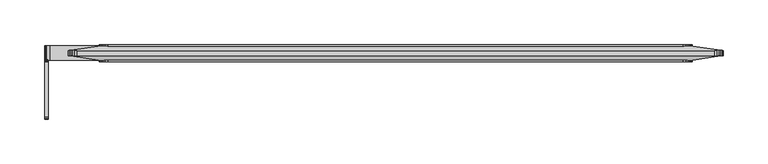
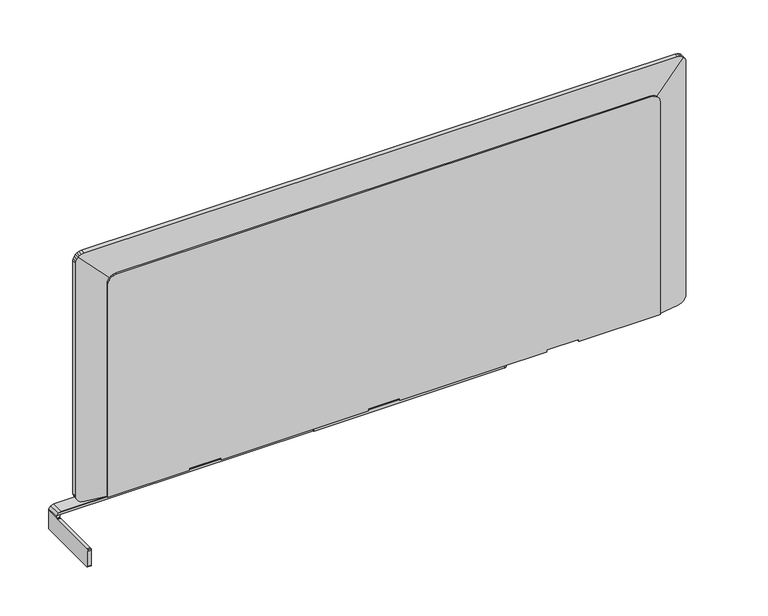
"""IFC4 building model written with IfcOpenShell, lengths in millimetres: furniture geometry."""

import ifcopenshell
import ifcopenshell.guid

model = None  # the IFC model being written
_history = None  # IfcOwnerHistory: only IFC2X3 demands one
_inside = {}  # id of a spatial element -> (the spatial element, [elements in it])
_under = {}  # id of a project, library or spatial element -> (it, [spatial elements below it])
_declared = {}  # id of a project -> (the project, [libraries it declares])
_typed = {}  # id of a type object -> (the type object, [elements of that type])
_made_of = {}  # id of a material, layer set ... -> (it, [elements and type objects made of it])


def new_model(schema):
    """Start an empty IFC model of exactly this schema.

    Asked for "IFC4X3", IfcOpenShell would pick the latest addendum, in which some entities
    have other attributes; the version numbers below select the first issue.
    IFC2X3 requires an IfcOwnerHistory on every rooted entity: one is made here for all.
    """
    global model, _history
    if schema == "IFC4X3":
        model = ifcopenshell.file(schema_version=(4, 3, 0, 0))
    else:
        model = ifcopenshell.file(schema=schema)
    _inside.clear()
    _under.clear()
    _declared.clear()
    _typed.clear()
    _made_of.clear()
    _history = None
    if model.schema == "IFC2X3":
        org = make("IfcOrganization", Name="unknown")
        user = make(
            "IfcPersonAndOrganization",
            ThePerson=make("IfcPerson", FamilyName="unknown"),
            TheOrganization=org,
        )
        app = make(
            "IfcApplication",
            ApplicationDeveloper=org,
            Version="unknown",
            ApplicationFullName="unknown",
            ApplicationIdentifier="unknown",
        )
        _history = make(
            "IfcOwnerHistory",
            OwningUser=user,
            OwningApplication=app,
            ChangeAction="ADDED",
            CreationDate=0,
        )
    return model


def make(cls, **values):
    """One entity of the class cls with the attributes given. An attribute that is None is left unset."""
    return model.create_entity(
        cls, **{name: value for name, value in values.items() if value is not None}
    )


def rooted(cls, **values):
    """An entity with a GlobalId (a new one), such as an element, a storey or a relation."""
    return make(cls, GlobalId=ifcopenshell.guid.new(), OwnerHistory=_history, **values)


def si_unit(unit_type, name, prefix=None):
    """IfcSIUnit, for example si_unit("LENGTHUNIT", "METRE", prefix="MILLI")."""
    return make("IfcSIUnit", UnitType=unit_type, Prefix=prefix, Name=name)


def assignment(units):
    """IfcUnitAssignment: the units of a project."""
    return None if units is None else make("IfcUnitAssignment", Units=units)


def point(xyz):
    """IfcCartesianPoint."""
    return None if xyz is None else make("IfcCartesianPoint", Coordinates=xyz)


def direction(xyz):
    """IfcDirection."""
    return None if xyz is None else make("IfcDirection", DirectionRatios=xyz)


def frame(location, z_axis=None, x_axis=None):
    """IfcAxis2Placement3D, a coordinate frame: its origin and axes. An axis left out is left unset."""
    return make(
        "IfcAxis2Placement3D",
        Location=point(location),
        Axis=direction(z_axis),
        RefDirection=direction(x_axis),
    )


def origin():
    """The frame at (0, 0, 0) with its axes left unset."""
    return frame((0.0, 0.0, 0.0))


def place(relative_to, where):
    """IfcLocalPlacement: puts the frame where relative to a parent placement (None: the world)."""
    return make(
        "IfcLocalPlacement", PlacementRelTo=relative_to, RelativePlacement=where
    )


def context(
    kind, dimensions, precision=None, world=None, true_north=None, identifier=None
):
    """IfcGeometricRepresentationContext, for example the 3D "Model" context."""
    return make(
        "IfcGeometricRepresentationContext",
        ContextIdentifier=identifier,
        ContextType=kind,
        CoordinateSpaceDimension=dimensions,
        Precision=precision,
        WorldCoordinateSystem=world,
        TrueNorth=true_north,
    )


def project(units=None, contexts=None):
    """IfcProject with its units and contexts."""
    return rooted(
        "IfcProject",
        Name="project",
        RepresentationContexts=contexts,
        UnitsInContext=assignment(units),
    )


def spatial(cls, under=None, at=None, **own):
    """A site, building, storey or space (cls), placed at a placement, below another one or the project."""
    s = rooted(cls, ObjectPlacement=at, **own)
    if under is not None:
        _under.setdefault(under.id(), (under, []))[1].append(s)
    return s


def polyline(points):
    """IfcPolyline through the points."""
    return make("IfcPolyline", Points=[point(p) for p in points])


def circle_curve(where, radius):
    """IfcCircle in the frame where."""
    return make("IfcCircle", Position=where, Radius=radius)


def outline(outer, holes=None, kind="AREA"):
    """IfcArbitraryClosedProfileDef: a profile drawn as a closed curve; with holes, ...WithVoids."""
    if holes is None:
        return make("IfcArbitraryClosedProfileDef", ProfileType=kind, OuterCurve=outer)
    return make(
        "IfcArbitraryProfileDefWithVoids",
        ProfileType=kind,
        OuterCurve=outer,
        InnerCurves=holes,
    )


def extrude(swept, where, along, depth):
    """IfcExtrudedAreaSolid: the profile swept, set in the frame where, extruded along a direction by depth."""
    return make(
        "IfcExtrudedAreaSolid",
        SweptArea=swept,
        Position=where,
        ExtrudedDirection=direction(along),
        Depth=depth,
    )


def faces_of(points, faces, orient=None, outer=None):
    """IfcFace entities. A face is a list of loops; a loop is a list of indices into points, from 0.

    orient and outer hold one flag for each loop. By default every Orientation is true, the
    first loop of a face is its IfcFaceOuterBound and the others are IfcFaceBound.
    """
    made = []
    for i, loops in enumerate(faces):
        bounds = []
        for j, loop in enumerate(loops):
            is_outer = j == 0 if outer is None else outer[i][j]
            bounds.append(
                make(
                    "IfcFaceOuterBound" if is_outer else "IfcFaceBound",
                    Bound=make("IfcPolyLoop", Polygon=[points[k] for k in loop]),
                    Orientation=True if orient is None else orient[i][j],
                )
            )
        made.append(make("IfcFace", Bounds=bounds))
    return made


def faceted_brep(points, faces, orient=None, outer=None, voids=None):
    """IfcFacetedBrep: a solid bounded by flat faces; with voids (closed shells), ...WithVoids."""
    shared = [point(p) for p in points]
    hull = make("IfcClosedShell", CfsFaces=faces_of(shared, faces, orient, outer))
    if voids is None:
        return make("IfcFacetedBrep", Outer=hull)
    return make(
        "IfcFacetedBrepWithVoids",
        Outer=hull,
        Voids=[
            make(cls, CfsFaces=faces_of(shared, fs, o, b)) for cls, fs, o, b in voids
        ],
    )


def shape(context_of_items, identifier, shape_type, items):
    """IfcShapeRepresentation: the items that make up one representation, for example the "Body"."""
    return make(
        "IfcShapeRepresentation",
        ContextOfItems=context_of_items,
        RepresentationIdentifier=identifier,
        RepresentationType=shape_type,
        Items=items,
    )


def source(mapping_origin, context_of_items, identifier, shape_type, items):
    """IfcRepresentationMap: a shape defined once, which mapped items show again and again."""
    return make(
        "IfcRepresentationMap",
        MappingOrigin=mapping_origin,
        MappedRepresentation=shape(context_of_items, identifier, shape_type, items),
    )


def transform(
    local_origin,
    x_axis=None,
    y_axis=None,
    z_axis=None,
    scale=None,
    scale2=None,
    scale3=None,
    uniform=True,
):
    """IfcCartesianTransformationOperator3D, or its non-uniform kind. x_axis, y_axis, z_axis: its Axis1, 2, 3."""
    if uniform:
        return make(
            "IfcCartesianTransformationOperator3D",
            Axis1=direction(x_axis),
            Axis2=direction(y_axis),
            LocalOrigin=point(local_origin),
            Scale=scale,
            Axis3=direction(z_axis),
        )
    return make(
        "IfcCartesianTransformationOperator3DnonUniform",
        Axis1=direction(x_axis),
        Axis2=direction(y_axis),
        LocalOrigin=point(local_origin),
        Scale=scale,
        Axis3=direction(z_axis),
        Scale2=scale2,
        Scale3=scale3,
    )


def mapped(mapping_source, mapping_target):
    """IfcMappedItem: shows the shape of a source again, moved by a transform."""
    return make(
        "IfcMappedItem", MappingSource=mapping_source, MappingTarget=mapping_target
    )


def made_of(thing, what):
    """Note that an element or type object is made of a material, layer set ...; save() writes the relation."""
    if what is not None:
        _made_of.setdefault(what.id(), (what, []))[1].append(thing)
    return thing


def element(
    cls,
    number,
    at=None,
    inside=None,
    cuts=None,
    type_object=None,
    material=None,
    context=None,
    identifier="Body",
    shape_type=None,
    held_by="IfcProductDefinitionShape",
    body=None,
    shapes=None,
    **own,
):
    """One element of the class cls, such as IfcWall. Its Tag is "e" and its number.

    at: its placement. inside: the storey or other place that contains it. cuts: it is an
    opening in that element (IfcRelVoidsElement). A single representation is given by context,
    identifier, shape_type and body (its items); several are given by shapes. held_by: the class
    of the entity that holds the representations. save() writes the other relations.
    """
    e = rooted(cls, Tag="e%d" % number, ObjectPlacement=at, **own)
    if body is not None:
        shapes = [shape(context, identifier, shape_type, body)]
    if shapes is not None:
        e.Representation = make(held_by, Representations=shapes)
    if inside is not None:
        _inside.setdefault(inside.id(), (inside, []))[1].append(e)
    if cuts is not None:
        rooted(
            "IfcRelVoidsElement", RelatingBuildingElement=cuts, RelatedOpeningElement=e
        )
    if type_object is not None:
        _typed.setdefault(type_object.id(), (type_object, []))[1].append(e)
    return made_of(e, material)


def aggregate(whole, parts):
    """IfcRelAggregates: a whole, such as a stair, and the parts it consists of."""
    return rooted("IfcRelAggregates", RelatingObject=whole, RelatedObjects=parts)


def save(model, path):
    """Write the relations noted so far, then the file.

    IfcRelAggregates (storeys below a building ...), IfcRelContainedInSpatialStructure (elements
    in a storey), IfcRelDefinesByType, IfcRelAssociatesMaterial and IfcRelDeclares: one each for
    every whole, place, type object, material and project.
    """
    for whole, parts in _under.values():
        aggregate(whole, parts)
    for where, things in _inside.values():
        rooted(
            "IfcRelContainedInSpatialStructure",
            RelatedElements=things,
            RelatingStructure=where,
        )
    for kind, things in _typed.values():
        rooted("IfcRelDefinesByType", RelatedObjects=things, RelatingType=kind)
    for what, things in _made_of.values():
        rooted("IfcRelAssociatesMaterial", RelatedObjects=things, RelatingMaterial=what)
    for by, libraries in _declared.values():
        rooted("IfcRelDeclares", RelatingContext=by, RelatedDefinitions=libraries)
    model.write(path)


def plane_surface(at):
    """IfcPlane: the flat surface through the origin of the frame at, square to its z axis."""
    return make("IfcPlane", Position=at)


def cylinder_surface(at, radius):
    """IfcCylindricalSurface: all points at the distance radius from the z axis of the frame at."""
    return make("IfcCylindricalSurface", Position=at, Radius=radius)


def advanced_brep(points, edges, surfaces, faces):
    """IfcAdvancedBrep: a solid bounded by faces that lie on surfaces and meet in shared edges.

    An edge is (start, end): straight between two places in points (the first is 0);
    or (start, end, curve); or (start, end, curve, False) where it runs against its curve.
    A face is (place in surfaces, loops), or (place, loops, False) where it looks against
    its surface's normal. A loop lists edges by number (the first is 1), with a minus sign
    where the edge is run from its end to its start. The first loop is the outer one.
    """
    corners = [point(p) for p in points]
    vertices = [make("IfcVertexPoint", VertexGeometry=c) for c in corners]
    made = []
    for start, end, *more in edges:
        made.append(
            make(
                "IfcEdgeCurve",
                EdgeStart=vertices[start],
                EdgeEnd=vertices[end],
                EdgeGeometry=more[0] if more else make("IfcPolyline", Points=[corners[start], corners[end]]),
                SameSense=more[1] if len(more) > 1 else True,
            )
        )
    hull = []
    for where, loops, *sense in faces:
        bounds = []
        for j, loop in enumerate(loops):
            ring = [make("IfcOrientedEdge", EdgeElement=made[abs(k) - 1], Orientation=k > 0) for k in loop]
            bounds.append(
                make(
                    "IfcFaceOuterBound" if j == 0 else "IfcFaceBound",
                    Bound=make("IfcEdgeLoop", EdgeList=ring),
                    Orientation=True,
                )
            )
        hull.append(make("IfcAdvancedFace", Bounds=bounds, FaceSurface=surfaces[where], SameSense=sense[0] if sense else True))
    return make("IfcAdvancedBrep", Outer=make("IfcClosedShell", CfsFaces=hull))


def furniture_b3ddf0ac(model_context):
    return source(origin(), model_context, "Body", "SolidModel", [
        advanced_brep(
        [(-11.90625, -83.152936, 731.95913), (-11.90625, -83.152936, 713.2393302), (-7.8422501, -83.152936, 713.2393302), (-7.8422501, -83.152936, 731.95913), (-5.8610501, -17.1129365, 740.6713298), (526.6142889, -17.1129365, 740.6713298), (531.1457524, -12.5814729, 740.6713298), (531.1457524, -5.8963997, 740.6713298), (526.6142889, -1.3649362, 740.6713298), (-5.8610501, -1.3649362, 740.6713298), (-9.3190655, -1.3649362, 739.5846147), (-9.3190655, -16.542582, 739.5846147), (-7.8422501, -16.542582, 740.0487184), (-7.8422501, -17.1129365, 740.0487184), (-11.5338209, -1.3649362, 736.7151762), (-11.5338209, -16.542582, 736.7151762), (-11.90625, -1.3649362, 735.2934452), (-11.90625, -17.2693579, 735.2934452), (-11.90625, -81.1209379, 733.9911297), (-11.90625, -19.0941371, 733.9911297), (-11.90625, -18.3005831, 734.1569987), (-11.90625, -17.6405546, 734.6261298), (-11.90625, -1.3649362, 713.2393302), (-11.90625, -1.9600952, 711.8024879), (-11.90625, -3.3969362, 711.2073298), (-11.90625, -81.1209379, 711.2073298), (-11.90625, -82.5577779, 711.8024879), (-11.90625, -82.5577779, 733.3959708), (-7.8422501, -3.3969362, 711.2073298), (-7.8422501, -81.1209379, 711.2073298), (-7.8422501, -82.5577779, 733.3959708), (-7.8422501, -82.5577779, 711.8024879), (-7.8422501, -1.9600952, 711.8024879), (-7.8422501, -1.3649362, 713.2393302), (-7.8422501, -1.3649362, 735.1526387), (-7.8422501, -17.3476821, 735.1526387), (-7.8422501, -17.6405546, 734.6261298), (-7.8422501, -18.3005831, 734.1569987), (-7.8422501, -19.0941371, 733.9911297), (-7.8422501, -81.1209379, 733.9911297), (-6.9943492, -1.3649362, 736.2511795), (-6.9943492, -16.7366146, 736.2511795), (-5.8843743, -1.3649362, 736.6), (-5.8843743, -16.542582, 736.6), (297.3427997, -16.542582, 736.6), (526.6142889, -1.3649362, 736.6), (531.1457524, -5.8963997, 736.6), (531.1457524, -12.5814729, 736.6), (526.6142889, -17.1129365, 736.6), (297.3427997, -17.1129365, 736.6), (297.3427997, -17.1129365, 740.0487184), (297.3427997, -16.542582, 740.0487184)],
        [
            (0, 1),
            (1, 2),
            (2, 3),
            (3, 0),
            (4, 5),
            (5, 6, circle_curve(frame((526.6142889, -12.5814729, 740.6713298), z_axis=(0.0, 0.0, 1.0), x_axis=(1.0000000000000009, 0.0, 0.0)), 4.5314636)),
            (6, 7),
            (7, 8, circle_curve(frame((526.6142889, -5.8963997, 740.6713298), z_axis=(0.0, 0.0, 1.0), x_axis=(1.0000000000000009, 0.0, 0.0)), 4.5314636)),
            (8, 9),
            (9, 4),
            (9, 10),
            (10, 11),
            (11, 12),
            (12, 13),
            (13, 4),
            (10, 14),
            (14, 15),
            (15, 11),
            (14, 16),
            (16, 17),
            (17, 15),
            (18, 19),
            (19, 20),
            (20, 21),
            (21, 17),
            (16, 22),
            (22, 23),
            (23, 24),
            (24, 25),
            (25, 26),
            (26, 1),
            (0, 27),
            (27, 18),
            (28, 29),
            (29, 25),
            (24, 28),
            (30, 3),
            (2, 31),
            (31, 29),
            (28, 32),
            (32, 33),
            (33, 34),
            (34, 35),
            (35, 36),
            (36, 37),
            (37, 38),
            (38, 39),
            (39, 30),
            (34, 40),
            (40, 41),
            (41, 35),
            (40, 42),
            (42, 43),
            (43, 41),
            (44, 43),
            (42, 45),
            (45, 46, circle_curve(frame((526.6142889, -5.8963997, 736.6), z_axis=(0.0, 0.0, -1.0), x_axis=(1.0000000000000009, 0.0, 0.0)), 4.5314636)),
            (46, 47),
            (47, 48, circle_curve(frame((526.6142889, -12.5814729, 736.6), z_axis=(0.0, 0.0, -1.0), x_axis=(1.0000000000000009, 0.0, 0.0)), 4.5314636)),
            (48, 49),
            (49, 44),
            (6, 47),
            (46, 7),
            (13, 50),
            (50, 49),
            (48, 5),
            (50, 51),
            (51, 44),
            (27, 30),
            (39, 18),
            (12, 51),
            (15, 43),
            (21, 36),
            (20, 37),
            (19, 38),
            (23, 32),
            (22, 33),
            (8, 45),
            (31, 26),
        ],
        [
            plane_surface(frame((-5.8610501, -83.152936, 740.6713298), z_axis=(0.0, -1.0, 0.0), x_axis=(1.0, 0.0, 0.0))),
            plane_surface(frame((531.1457524, 0.3184498, 740.6713298), z_axis=(0.0, 0.0, 1.0), x_axis=(0.0, -1.0, 0.0))),
            plane_surface(frame((-5.8610501, 0.3184498, 740.6713298), z_axis=(-0.29980408442028295, 0.0, 0.9540007919100045), x_axis=(0.0, -1.0, 0.0))),
            plane_surface(frame((-9.3190655, 0.3184498, 739.5846147), z_axis=(-0.7916236415944377, 0.0, 0.6110090098098074), x_axis=(0.0, -1.0, 0.0))),
            plane_surface(frame((-11.5338209, 0.3184498, 736.7151762), z_axis=(-0.9673603819474792, 0.0, 0.253404600270846), x_axis=(0.0, -1.0, 0.0))),
            plane_surface(frame((-11.90625, 0.3184498, 735.2934452), z_axis=(-1.0, 0.0, 0.0), x_axis=(0.0, -1.0, 0.0))),
            plane_surface(frame((-11.90625, 0.3184498, 711.2073298), z_axis=(0.0, 0.0, -1.0), x_axis=(0.0, -1.0, 0.0))),
            plane_surface(frame((-7.8422501, 0.3184498, 711.2073298), z_axis=(1.0, 0.0, 0.0), x_axis=(0.0, -1.0, 0.0))),
            plane_surface(frame((-7.8422501, 0.3184498, 735.1526387), z_axis=(0.7916236395709917, 0.0, -0.6110090124313852), x_axis=(0.0, -1.0, 0.0))),
            plane_surface(frame((-6.9943492, 0.3184498, 736.2511795), z_axis=(0.2998040604799328, 0.0, -0.9540007994334935), x_axis=(0.0, -1.0, 0.0))),
            plane_surface(frame((-5.8843743, 0.3184498, 736.6), z_axis=(0.0, 0.0, -1.0), x_axis=(0.0, -1.0, 0.0))),
            plane_surface(frame((531.1457524, 0.3184498, 736.6), z_axis=(1.0, 0.0, 0.0), x_axis=(0.0, -1.0, 0.0))),
            plane_surface(frame((-7.8422501, -17.1129365, 1041.4), z_axis=(0.0, -1.0, 0.0), x_axis=(0.0, 0.0, -1.0))),
            plane_surface(frame((297.3427997, -81.1209379, 733.9911297), z_axis=(-1.0, 0.0, 0.0), x_axis=(0.0, -0.9238794600399491, -0.38268360732632906))),
            plane_surface(frame((297.3427997, -81.1209379, 733.9911297), z_axis=(0.0, -0.38268360732632906, 0.9238794600399491), x_axis=(-1.0, 0.0, 0.0))),
            plane_surface(frame((297.3427997, -82.5577779, 733.3959708), z_axis=(0.0, -0.9238797338270522, 0.38268294634547667), x_axis=(-1.0, 0.0, 0.0))),
            plane_surface(frame((297.3427997, -83.152936, 740.0487184), z_axis=(0.0, 0.0, -1.0), x_axis=(-1.0, 0.0, 0.0))),
            plane_surface(frame((297.3427997, -16.542582, 740.0487184), z_axis=(0.0, -1.0, 0.0), x_axis=(-1.0, 0.0, 0.0))),
            plane_surface(frame((297.3427997, -16.542582, 736.6), z_axis=(0.0, -0.8738981288260935, 0.48610910342664065), x_axis=(-1.0, 0.0, 0.0))),
            plane_surface(frame((297.3427997, -17.6405546, 734.6261298), z_axis=(0.0, -0.5793413096937473, 0.8150850549987613), x_axis=(-1.0, 0.0, 0.0))),
            plane_surface(frame((297.3427997, -18.3005831, 734.1569987), z_axis=(0.0, -0.20459875452857604, 0.9788459274295191), x_axis=(-1.0, 0.0, 0.0))),
            plane_surface(frame((297.3427997, -19.0941371, 733.9911297), z_axis=(0.0, 0.0, 1.0), x_axis=(-1.0, 0.0, 0.0))),
            plane_surface(frame((541.7567927, -3.3969362, 711.2073298), z_axis=(0.0, 0.3826829140793831, -0.9238797471920853), x_axis=(-1.0, 0.0, 0.0))),
            plane_surface(frame((541.7567927, -1.9600952, 711.8024879), z_axis=(0.0, 0.9238796416148001, -0.38268316896580185), x_axis=(-1.0, 0.0, 0.0))),
            plane_surface(frame((541.7567927, -1.3649362, 713.2393302), z_axis=(0.0, 1.0, 0.0), x_axis=(-1.0, 0.0, 0.0))),
            plane_surface(frame((-7.4077452, -82.5577779, 711.8024879), z_axis=(0.0, -0.38268313994214265, -0.9238796536367831), x_axis=(-1.0, 0.0, 0.0))),
            plane_surface(frame((-7.4077452, -83.152936, 713.2393302), z_axis=(0.0, -0.9238798674772314, -0.3826826236847621), x_axis=(-1.0, 0.0, 0.0))),
            cylinder_surface(frame((526.6142889, -12.5814729, 736.6), z_axis=(0.0, 0.0, -1.0), x_axis=(1.0000000000000009, 0.0, 0.0)), 4.5314636),
            cylinder_surface(frame((526.6142889, -5.8963997, 736.6), z_axis=(0.0, 0.0, -1.0), x_axis=(1.0000000000000009, 0.0, 0.0)), 4.5314636),
        ],
        [
            (0, [[1, 2, 3, 4]]),
            (1, [[5, 6, 7, 8, 9, 10]]),
            (2, [[-10, 11, 12, 13, 14, 15]]),
            (3, [[-12, 16, 17, 18]]),
            (4, [[-17, 19, 20, 21]]),
            (5, [[22, 23, 24, 25, -20, 26, 27, 28, 29, 30, 31, -1, 32, 33]]),
            (6, [[34, 35, -29, 36]]),
            (7, [[37, -3, 38, 39, -34, 40, 41, 42, 43, 44, 45, 46, 47, 48]]),
            (8, [[-43, 49, 50, 51]]),
            (9, [[-50, 52, 53, 54]]),
            (10, [[55, -53, 56, 57, 58, 59, 60, 61]]),
            (11, [[62, -58, 63, -7]]),
            (12, [[64, 65, -60, 66, -5, -15]]),
            (13, [[-61, -65, 67, 68]]),
            (14, [[-33, 69, -48, 70]]),
            (15, [[-32, -4, -37, -69]]),
            (16, [[-64, -14, 71, -67]]),
            (17, [[-71, -13, -18, 72, -55, -68]]),
            (18, [[-21, -25, 73, -44, -51, -54, -72]]),
            (19, [[-24, 74, -45, -73]]),
            (20, [[-23, 75, -46, -74]]),
            (21, [[-47, -75, -22, -70]]),
            (22, [[-40, -36, -28, 76]]),
            (23, [[-27, 77, -41, -76]]),
            (24, [[-26, -19, -16, -11, -9, 78, -56, -52, -49, -42, -77]]),
            (25, [[-30, -35, -39, 79]]),
            (26, [[-38, -2, -31, -79]]),
            (27, [[-66, -59, -62, -6]]),
            (28, [[-63, -57, -78, -8]]),
        ],
    ),
        extrude(outline(polyline([(1021.1054, 702.4178925), (1021.1054, 59.5257121), (1020.4193549, 55.884392), (1019.3312673, 53.4952556), (1018.0500955, 51.9079102), (1016.1380029, 50.4230447), (1013.8123454, 49.4081476), (1011.1551493, 49.022), (740.6713298, 49.022), (740.6713298, 147.1315248), (743.2237184, 147.1315248), (743.2237184, 185.2315248), (740.6713298, 185.2315248), (740.6713298, 361.95), (743.2237184, 361.95), (743.2237184, 400.05), (740.6713298, 400.05), (740.6713298, 576.7684752), (743.2237184, 576.7684752), (743.2237184, 614.8684752), (740.6713298, 614.8684752), (740.6713298, 712.978), (1010.7670758, 712.978), (1013.8123454, 712.535457), (1016.1380029, 711.5205599), (1018.0500955, 710.0356944), (1019.3312673, 708.4483489), (1020.4193549, 706.0592125), (1021.1054, 702.4178925)])), frame((0.0, -19.05, 0.0), z_axis=(0.0, 1.0, 0.0), x_axis=(0.0, 0.0, 1.0)), (0.0, 0.0, 1.0), 19.05),
        faceted_brep([(709.7466046, -1.27, 740.6713298), (709.7466046, -1.27, 1017.8740046), (744.8341432, -6.201232, 1052.9615432), (746.3749553, -6.417779, 1050.9774069), (747.3898524, -6.5604135, 1048.6517494), (747.776, -6.614683, 1045.9945533), (747.776, -6.614683, 750.5772), (747.3898524, -6.5604135, 747.9200039), (746.3749553, -6.417779, 745.5943464), (744.8900898, -6.2090948, 743.6822538), (742.5989568, -5.887097, 741.8330438), (741.8405268, -5.7805066, 741.4876311), (737.5078466, -5.1715881, 740.6713298), (709.7466046, -17.78, 1017.8740046), (709.7466046, -17.78, 740.6713298), (737.5078466, -13.6811758, 740.6713298), (741.8405268, -13.0414748, 741.4876311), (742.5989568, -12.929496, 741.8330438), (744.8900898, -12.5912203, 743.6822538), (746.3749553, -12.3719865, 745.5943464), (747.3898524, -12.2221415, 747.9200039), (747.776, -12.1651285, 750.5772), (747.776, -12.1651285, 1045.9945533), (747.3898524, -12.2221415, 1048.6517494), (746.3749553, -12.3719865, 1050.9774069), (744.8341432, -12.5994806, 1052.9615432), (52.2533954, -1.27, 1017.8740046), (52.2533954, -1.27, 740.6713298), (24.4921534, -5.1715881, 740.6713298), (20.1594732, -5.7805066, 741.4876311), (19.4010432, -5.887097, 741.8330438), (17.1099102, -6.2090948, 743.6822538), (15.6250447, -6.417779, 745.5943464), (14.6101476, -6.5604135, 747.9200039), (14.224, -6.614683, 750.5772), (14.224, -6.614683, 1045.9945533), (14.6101476, -6.5604135, 1048.6517494), (15.6250447, -6.417779, 1050.9774069), (17.1658568, -6.201232, 1052.9615432), (52.2533954, -17.78, 740.6713298), (52.2533954, -17.78, 1017.8740046), (17.1658568, -12.5994806, 1052.9615432), (15.6250447, -12.3719865, 1050.9774069), (14.6101476, -12.2221415, 1048.6517494), (14.224, -12.1651285, 1045.9945533), (14.224, -12.1651285, 750.5772), (14.6101476, -12.2221415, 747.9200039), (15.6250447, -12.3719865, 745.5943464), (17.1099102, -12.5912203, 743.6822538), (19.4010432, -12.929496, 741.8330438), (20.1594732, -13.0414748, 741.4876311), (24.4921534, -13.6811758, 740.6713298), (18.6972556, -6.3711638, 1054.1706713), (21.086392, -6.5240846, 1055.2587589), (24.5079521, -6.614683, 1055.9034), (737.4920479, -6.614683, 1055.9034), (740.913608, -6.5240846, 1055.2587589), (743.3027444, -6.3711638, 1054.1706713), (743.3027444, -12.4209582, 1054.1706713), (740.913608, -12.2603069, 1055.2587589), (737.4920479, -12.1651285, 1055.9034), (24.5079521, -12.1651285, 1055.9034), (21.086392, -12.2603069, 1055.2587589), (18.6972556, -12.4209582, 1054.1706713)], [[[0, 1, 2, 3, 4, 5, 6, 7, 8, 9, 10, 11, 12]], [[13, 14, 15, 16, 17, 18, 19, 20, 21, 22, 23, 24, 25]], [[26, 27, 28, 29, 30, 31, 32, 33, 34, 35, 36, 37, 38]], [[39, 40, 41, 42, 43, 44, 45, 46, 47, 48, 49, 50, 51]], [[1, 26, 38, 52, 53, 54, 55, 56, 57, 2]], [[40, 13, 25, 58, 59, 60, 61, 62, 63, 41]], [[1, 0, 14, 13]], [[39, 27, 26, 40]], [[26, 1, 13, 40]], [[6, 5, 22, 21]], [[44, 35, 34, 45]], [[54, 61, 60, 55]], [[36, 43, 42, 37]], [[41, 38, 37, 42]], [[38, 41, 63, 52]], [[52, 63, 62, 53]], [[53, 62, 61, 54]], [[43, 36, 35, 44]], [[3, 24, 23, 4]], [[2, 25, 24, 3]], [[25, 2, 57, 58]], [[58, 57, 56, 59]], [[59, 56, 55, 60]], [[4, 23, 22, 5]], [[27, 39, 51, 28]], [[14, 0, 12, 15]], [[7, 20, 19, 8]], [[8, 19, 18, 9]], [[9, 18, 17, 10]], [[10, 17, 16, 11]], [[11, 16, 15, 12]], [[20, 7, 6, 21]], [[33, 46, 45, 34]], [[50, 29, 28, 51]], [[29, 50, 49, 30]], [[30, 49, 48, 31]], [[31, 48, 47, 32]], [[46, 33, 32, 47]]]),
    ])


if __name__ == "__main__":
    model = new_model("IFC4")
    model_context = context("Model", 3, world=origin())
    ifc_project = project(units=[si_unit("LENGTHUNIT", "METRE", prefix="MILLI")], contexts=[model_context])
    site = spatial("IfcSite", under=ifc_project)
    building = spatial("IfcBuilding", under=site)
    placement = place(None, origin())
    furniture_shape = furniture_b3ddf0ac(model_context)
    element("IfcFurniture", 1, at=placement, inside=building, context=model_context, shape_type="MappedRepresentation", body=[
        mapped(furniture_shape, transform((0.0, 0.0, 0.0), x_axis=(1.0, 0.0, 0.0), y_axis=(0.0, 1.0, 0.0), z_axis=(0.0, 0.0, 1.0))),
    ])
    save(model, "model.ifc")
